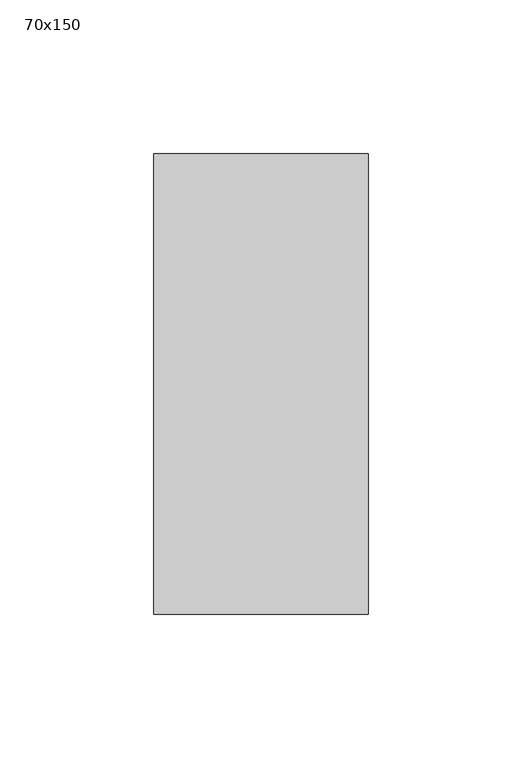
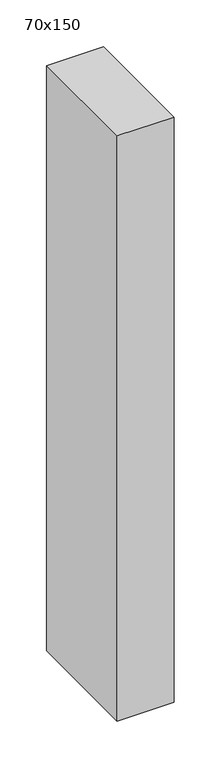
"""IFC4 building model written with IfcOpenShell, lengths in millimetres: member geometry, 70x150."""

import ifcopenshell
import ifcopenshell.guid

model = None  # the IFC model being written
_history = None  # IfcOwnerHistory: only IFC2X3 demands one
_inside = {}  # id of a spatial element -> (the spatial element, [elements in it])
_under = {}  # id of a project, library or spatial element -> (it, [spatial elements below it])
_declared = {}  # id of a project -> (the project, [libraries it declares])
_typed = {}  # id of a type object -> (the type object, [elements of that type])
_made_of = {}  # id of a material, layer set ... -> (it, [elements and type objects made of it])


def new_model(schema):
    """Start an empty IFC model of exactly this schema.

    Asked for "IFC4X3", IfcOpenShell would pick the latest addendum, in which some entities
    have other attributes; the version numbers below select the first issue.
    IFC2X3 requires an IfcOwnerHistory on every rooted entity: one is made here for all.
    """
    global model, _history
    if schema == "IFC4X3":
        model = ifcopenshell.file(schema_version=(4, 3, 0, 0))
    else:
        model = ifcopenshell.file(schema=schema)
    _inside.clear()
    _under.clear()
    _declared.clear()
    _typed.clear()
    _made_of.clear()
    _history = None
    if model.schema == "IFC2X3":
        org = make("IfcOrganization", Name="unknown")
        user = make(
            "IfcPersonAndOrganization",
            ThePerson=make("IfcPerson", FamilyName="unknown"),
            TheOrganization=org,
        )
        app = make(
            "IfcApplication",
            ApplicationDeveloper=org,
            Version="unknown",
            ApplicationFullName="unknown",
            ApplicationIdentifier="unknown",
        )
        _history = make(
            "IfcOwnerHistory",
            OwningUser=user,
            OwningApplication=app,
            ChangeAction="ADDED",
            CreationDate=0,
        )
    return model


def make(cls, **values):
    """One entity of the class cls with the attributes given. An attribute that is None is left unset."""
    return model.create_entity(
        cls, **{name: value for name, value in values.items() if value is not None}
    )


def rooted(cls, **values):
    """An entity with a GlobalId (a new one), such as an element, a storey or a relation."""
    return make(cls, GlobalId=ifcopenshell.guid.new(), OwnerHistory=_history, **values)


def si_unit(unit_type, name, prefix=None):
    """IfcSIUnit, for example si_unit("LENGTHUNIT", "METRE", prefix="MILLI")."""
    return make("IfcSIUnit", UnitType=unit_type, Prefix=prefix, Name=name)


def assignment(units):
    """IfcUnitAssignment: the units of a project."""
    return None if units is None else make("IfcUnitAssignment", Units=units)


def point(xyz):
    """IfcCartesianPoint."""
    return None if xyz is None else make("IfcCartesianPoint", Coordinates=xyz)


def direction(xyz):
    """IfcDirection."""
    return None if xyz is None else make("IfcDirection", DirectionRatios=xyz)


def frame(location, z_axis=None, x_axis=None):
    """IfcAxis2Placement3D, a coordinate frame: its origin and axes. An axis left out is left unset."""
    return make(
        "IfcAxis2Placement3D",
        Location=point(location),
        Axis=direction(z_axis),
        RefDirection=direction(x_axis),
    )


def origin():
    """The frame at (0, 0, 0) with its axes left unset."""
    return frame((0.0, 0.0, 0.0))


def place(relative_to, where):
    """IfcLocalPlacement: puts the frame where relative to a parent placement (None: the world)."""
    return make(
        "IfcLocalPlacement", PlacementRelTo=relative_to, RelativePlacement=where
    )


def context(
    kind, dimensions, precision=None, world=None, true_north=None, identifier=None
):
    """IfcGeometricRepresentationContext, for example the 3D "Model" context."""
    return make(
        "IfcGeometricRepresentationContext",
        ContextIdentifier=identifier,
        ContextType=kind,
        CoordinateSpaceDimension=dimensions,
        Precision=precision,
        WorldCoordinateSystem=world,
        TrueNorth=true_north,
    )


def project(units=None, contexts=None):
    """IfcProject with its units and contexts."""
    return rooted(
        "IfcProject",
        Name="project",
        RepresentationContexts=contexts,
        UnitsInContext=assignment(units),
    )


def spatial(cls, under=None, at=None, **own):
    """A site, building, storey or space (cls), placed at a placement, below another one or the project."""
    s = rooted(cls, ObjectPlacement=at, **own)
    if under is not None:
        _under.setdefault(under.id(), (under, []))[1].append(s)
    return s


def polyline(points):
    """IfcPolyline through the points."""
    return make("IfcPolyline", Points=[point(p) for p in points])


def outline(outer, holes=None, kind="AREA"):
    """IfcArbitraryClosedProfileDef: a profile drawn as a closed curve; with holes, ...WithVoids."""
    if holes is None:
        return make("IfcArbitraryClosedProfileDef", ProfileType=kind, OuterCurve=outer)
    return make(
        "IfcArbitraryProfileDefWithVoids",
        ProfileType=kind,
        OuterCurve=outer,
        InnerCurves=holes,
    )


def extrude(swept, where, along, depth):
    """IfcExtrudedAreaSolid: the profile swept, set in the frame where, extruded along a direction by depth."""
    return make(
        "IfcExtrudedAreaSolid",
        SweptArea=swept,
        Position=where,
        ExtrudedDirection=direction(along),
        Depth=depth,
    )


def shape(context_of_items, identifier, shape_type, items):
    """IfcShapeRepresentation: the items that make up one representation, for example the "Body"."""
    return make(
        "IfcShapeRepresentation",
        ContextOfItems=context_of_items,
        RepresentationIdentifier=identifier,
        RepresentationType=shape_type,
        Items=items,
    )


def source(mapping_origin, context_of_items, identifier, shape_type, items):
    """IfcRepresentationMap: a shape defined once, which mapped items show again and again."""
    return make(
        "IfcRepresentationMap",
        MappingOrigin=mapping_origin,
        MappedRepresentation=shape(context_of_items, identifier, shape_type, items),
    )


def transform(
    local_origin,
    x_axis=None,
    y_axis=None,
    z_axis=None,
    scale=None,
    scale2=None,
    scale3=None,
    uniform=True,
):
    """IfcCartesianTransformationOperator3D, or its non-uniform kind. x_axis, y_axis, z_axis: its Axis1, 2, 3."""
    if uniform:
        return make(
            "IfcCartesianTransformationOperator3D",
            Axis1=direction(x_axis),
            Axis2=direction(y_axis),
            LocalOrigin=point(local_origin),
            Scale=scale,
            Axis3=direction(z_axis),
        )
    return make(
        "IfcCartesianTransformationOperator3DnonUniform",
        Axis1=direction(x_axis),
        Axis2=direction(y_axis),
        LocalOrigin=point(local_origin),
        Scale=scale,
        Axis3=direction(z_axis),
        Scale2=scale2,
        Scale3=scale3,
    )


def mapped(mapping_source, mapping_target):
    """IfcMappedItem: shows the shape of a source again, moved by a transform."""
    return make(
        "IfcMappedItem", MappingSource=mapping_source, MappingTarget=mapping_target
    )


def made_of(thing, what):
    """Note that an element or type object is made of a material, layer set ...; save() writes the relation."""
    if what is not None:
        _made_of.setdefault(what.id(), (what, []))[1].append(thing)
    return thing


def element(
    cls,
    number,
    at=None,
    inside=None,
    cuts=None,
    type_object=None,
    material=None,
    context=None,
    identifier="Body",
    shape_type=None,
    held_by="IfcProductDefinitionShape",
    body=None,
    shapes=None,
    **own,
):
    """One element of the class cls, such as IfcWall. Its Tag is "e" and its number.

    at: its placement. inside: the storey or other place that contains it. cuts: it is an
    opening in that element (IfcRelVoidsElement). A single representation is given by context,
    identifier, shape_type and body (its items); several are given by shapes. held_by: the class
    of the entity that holds the representations. save() writes the other relations.
    """
    e = rooted(cls, Tag="e%d" % number, ObjectPlacement=at, **own)
    if body is not None:
        shapes = [shape(context, identifier, shape_type, body)]
    if shapes is not None:
        e.Representation = make(held_by, Representations=shapes)
    if inside is not None:
        _inside.setdefault(inside.id(), (inside, []))[1].append(e)
    if cuts is not None:
        rooted(
            "IfcRelVoidsElement", RelatingBuildingElement=cuts, RelatedOpeningElement=e
        )
    if type_object is not None:
        _typed.setdefault(type_object.id(), (type_object, []))[1].append(e)
    return made_of(e, material)


def aggregate(whole, parts):
    """IfcRelAggregates: a whole, such as a stair, and the parts it consists of."""
    return rooted("IfcRelAggregates", RelatingObject=whole, RelatedObjects=parts)


def save(model, path):
    """Write the relations noted so far, then the file.

    IfcRelAggregates (storeys below a building ...), IfcRelContainedInSpatialStructure (elements
    in a storey), IfcRelDefinesByType, IfcRelAssociatesMaterial and IfcRelDeclares: one each for
    every whole, place, type object, material and project.
    """
    for whole, parts in _under.values():
        aggregate(whole, parts)
    for where, things in _inside.values():
        rooted(
            "IfcRelContainedInSpatialStructure",
            RelatedElements=things,
            RelatingStructure=where,
        )
    for kind, things in _typed.values():
        rooted("IfcRelDefinesByType", RelatedObjects=things, RelatingType=kind)
    for what, things in _made_of.values():
        rooted("IfcRelAssociatesMaterial", RelatedObjects=things, RelatingMaterial=what)
    for by, libraries in _declared.values():
        rooted("IfcRelDeclares", RelatingContext=by, RelatedDefinitions=libraries)
    model.write(path)


def member_70x150_9a135ce4(model_context):
    return source(origin(), model_context, "Body", "SweptSolid", [
        extrude(outline(polyline([(0.0, 75.0), (0.0, -75.0), (-70.0, -75.0), (-70.0, 75.0), (0.0, 75.0)])), frame((0.0, 0.0, -760.0), z_axis=(0.0, 0.0, 1.0), x_axis=(1.0, 0.0, 0.0)), (0.0, 0.0, 1.0), 760.0),
    ])


if __name__ == "__main__":
    model = new_model("IFC4")
    model_context = context("Model", 3, world=origin())
    ifc_project = project(units=[si_unit("LENGTHUNIT", "METRE", prefix="MILLI")], contexts=[model_context])
    site = spatial("IfcSite", under=ifc_project)
    building = spatial("IfcBuilding", under=site)
    placement = place(None, origin())
    member_70x150_shape = member_70x150_9a135ce4(model_context)
    element("IfcMember", 1, ObjectType="70x150", at=placement, inside=building, context=model_context, shape_type="MappedRepresentation", body=[
        mapped(member_70x150_shape, transform((0.0, 0.0, 0.0), x_axis=(1.0, 0.0, 0.0), y_axis=(0.0, 1.0, 0.0), z_axis=(0.0, 0.0, 1.0))),
    ])
    save(model, "model.ifc")
